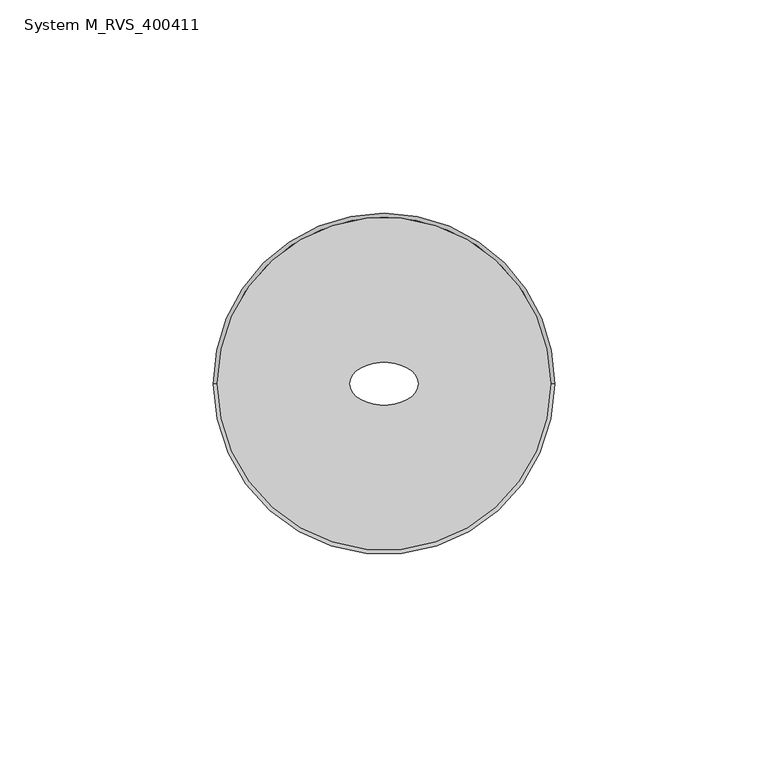
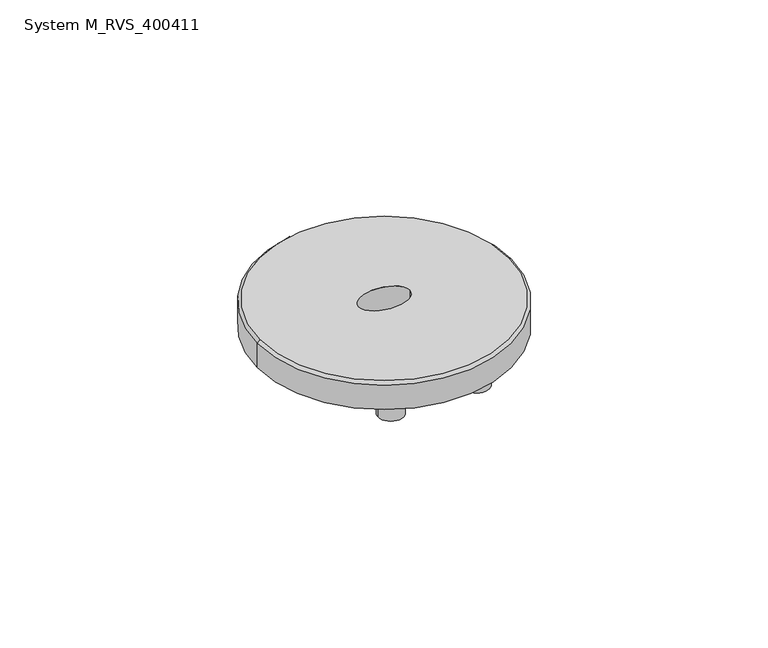
"""IFC4 building model written with IfcOpenShell, lengths in millimetres: proxy geometry, System M_RVS_400411."""

from ifc_helpers import new_model, si_unit, point, frame, frame_2d, origin, origin_with_axes, place, context, project, spatial, polyline, circle_curve, ellipse_curve, trimmed, segment, composite_curve, outline, extrude, source, transform, mapped, element, save
from ifc_brep_helpers import plane_surface, cylinder_surface, revolved_surface, extruded_surface, advanced_brep


def system_m_rvs_400411_374c6fee(model_context):
    return source(origin(), model_context, "Body", "SolidModel", [
        advanced_brep(
        [(-39.044618, 0.0, 9.0), (39.044618, 0.0, 9.0), (-8.0, 0.0, 9.0), (8.0, 0.0, 9.0), (-40.0, 0.0, 0.0), (40.0, 0.0, 0.0), (8.0, 0.0, 0.0), (-8.0, 0.0, 0.0), (40.0, 0.0, 8.044618), (-40.0, 0.0, 8.044618)],
        [
            (0, 1, circle_curve(frame((0.0, 0.0, 9.0), z_axis=(0.0, 0.0, 1.0), x_axis=(1.0, 0.0, 0.0)), 39.044618)),
            (1, 0, circle_curve(frame((0.0, 0.0, 9.0), z_axis=(0.0, 0.0, 1.0), x_axis=(-1.0, 0.0, 0.0)), 39.044618)),
            (2, 3, ellipse_curve(frame((0.0, 0.0, 9.0), z_axis=(0.0, 0.0, -1.0), x_axis=(-1.0, 0.0, 0.0)), 8.0, 5.0)),
            (3, 2, ellipse_curve(frame((0.0, 0.0, 9.0), z_axis=(0.0, 0.0, -1.0), x_axis=(-1.0, 0.0, 0.0)), 8.0, 5.0)),
            (4, 5, circle_curve(frame((0.0, 0.0, 0.0), z_axis=(0.0, 0.0, -1.0), x_axis=(1.0, 0.0, 0.0)), 40.0)),
            (5, 4, circle_curve(frame((0.0, 0.0, 0.0), z_axis=(0.0, 0.0, -1.0), x_axis=(1.0, 0.0, 0.0)), 40.0)),
            (6, 7, ellipse_curve(frame((0.0, 0.0, 0.0), z_axis=(0.0, 0.0, 1.0), x_axis=(-1.0, 0.0, 0.0)), 8.0, 5.0)),
            (7, 6, ellipse_curve(frame((0.0, 0.0, 0.0), z_axis=(0.0, 0.0, 1.0), x_axis=(-1.0, 0.0, 0.0)), 8.0, 5.0)),
            (2, 7),
            (6, 3),
            (5, 8),
            (8, 9, circle_curve(frame((0.0, 0.0, 8.044618), z_axis=(0.0, 0.0, -1.0), x_axis=(1.0, 0.0, 0.0)), 40.0)),
            (9, 4),
            (9, 8, circle_curve(frame((0.0, 0.0, 8.044618), z_axis=(0.0, 0.0, -1.0), x_axis=(1.0, 0.0, 0.0)), 40.0)),
            (0, 9),
            (8, 1),
        ],
        [
            plane_surface(frame((40.0, 0.0, 9.0), z_axis=(0.0, 0.0, 1.0), x_axis=(0.0, 1.0, 0.0))),
            plane_surface(frame((40.0, 0.0, 0.0), z_axis=(0.0, 0.0, -1.0), x_axis=(0.0, -1.0, 0.0))),
            extruded_surface(trimmed(ellipse_curve(frame((0.0, 0.0, 0.0), z_axis=(0.0, 0.0, 1.0), x_axis=(-1.0, 0.0, 0.0)), 8.0, 5.0), [point((8.0, 0.0, 0.0))], [point((-8.0, 0.0, 0.0))], True, "CARTESIAN"), (0.0, 0.0, -9.0), 9.0),
            extruded_surface(trimmed(ellipse_curve(frame((0.0, 0.0, 0.0), z_axis=(0.0, 0.0, 1.0), x_axis=(-1.0, 0.0, 0.0)), 8.0, 5.0), [point((-8.0, 0.0, 0.0))], [point((8.0, 0.0, 0.0))], True, "CARTESIAN"), (0.0, 0.0, -9.0), 9.0),
            cylinder_surface(origin_with_axes(), 40.0),
            revolved_surface(polyline([(39.044618, 0.0, 9.0), (40.0, 0.0, 8.044618)]), (0.0, 0.0, 9.0), (0.0, 0.0, -1.0)),
            revolved_surface(polyline([(-39.044618, 0.0, 9.0), (-40.0, 0.0, 8.044618)]), (0.0, 0.0, 9.0), (0.0, 0.0, -1.0)),
        ],
        [
            (0, [[1, 2], [3, 4]]),
            (1, [[5, 6], [7, 8]]),
            (2, [[9, -7, 10, -3]]),
            (3, [[-9, -4, -10, -8]]),
            (4, [[-6, 11, 12, 13]]),
            (4, [[-5, -13, 14, -11]]),
            (5, [[15, -12, 16, -1]]),
            (6, [[-15, -2, -16, -14]]),
        ],
    ),
        extrude(outline(composite_curve([segment(trimmed(circle_curve(frame_2d((-13.5, -27.0)), 4.0), [point((-17.5, -27.0))], [point((-9.5, -27.0))], False, "CARTESIAN"), True, "CONTINUOUS"), segment(trimmed(circle_curve(frame_2d((-13.5, -27.0)), 4.0), [point((-9.5, -27.0))], [point((-17.5, -27.0))], False, "CARTESIAN"), True, "CONTINUOUS")], self_intersect=False)), frame((0.0, 0.0, -8.0), z_axis=(0.0, 0.0, 1.0), x_axis=(1.0, 0.0, 0.0)), (0.0, 0.0, 1.0), 8.0),
        extrude(outline(composite_curve([segment(trimmed(circle_curve(frame_2d((13.5, -27.0)), 4.0), [point((9.5, -27.0))], [point((17.5, -27.0))], False, "CARTESIAN"), True, "CONTINUOUS"), segment(trimmed(circle_curve(frame_2d((13.5, -27.0)), 4.0), [point((17.5, -27.0))], [point((9.5, -27.0))], False, "CARTESIAN"), True, "CONTINUOUS")], self_intersect=False)), frame((0.0, 0.0, -8.0), z_axis=(0.0, 0.0, 1.0), x_axis=(1.0, 0.0, 0.0)), (0.0, 0.0, 1.0), 8.0),
        extrude(outline(composite_curve([segment(trimmed(circle_curve(frame_2d((-13.5, 27.0)), 4.0), [point((-17.5, 27.0))], [point((-9.5, 27.0))], False, "CARTESIAN"), True, "CONTINUOUS"), segment(trimmed(circle_curve(frame_2d((-13.5, 27.0)), 4.0), [point((-9.5, 27.0))], [point((-17.5, 27.0))], False, "CARTESIAN"), True, "CONTINUOUS")], self_intersect=False)), frame((0.0, 0.0, -8.0), z_axis=(0.0, 0.0, 1.0), x_axis=(1.0, 0.0, 0.0)), (0.0, 0.0, 1.0), 8.0),
        extrude(outline(composite_curve([segment(trimmed(circle_curve(frame_2d((13.5, 27.0)), 4.0), [point((9.5, 27.0))], [point((17.5, 27.0))], False, "CARTESIAN"), True, "CONTINUOUS"), segment(trimmed(circle_curve(frame_2d((13.5, 27.0)), 4.0), [point((17.5, 27.0))], [point((9.5, 27.0))], False, "CARTESIAN"), True, "CONTINUOUS")], self_intersect=False)), frame((0.0, 0.0, -8.0), z_axis=(0.0, 0.0, 1.0), x_axis=(1.0, 0.0, 0.0)), (0.0, 0.0, 1.0), 8.0),
    ])


if __name__ == "__main__":
    model = new_model("IFC4")
    model_context = context("Model", 3, world=origin())
    ifc_project = project(units=[si_unit("LENGTHUNIT", "METRE", prefix="MILLI")], contexts=[model_context])
    site = spatial("IfcSite", under=ifc_project)
    building = spatial("IfcBuilding", under=site)
    placement = place(None, origin())
    system_m_rvs_400411_shape = system_m_rvs_400411_374c6fee(model_context)
    element("IfcBuildingElementProxy", 1, Name="System M_RVS_400411", ObjectType="System M_RVS_400411", at=placement, inside=building, context=model_context, shape_type="MappedRepresentation", body=[
        mapped(system_m_rvs_400411_shape, transform((0.0, 0.0, 0.0), x_axis=(1.0, 0.0, 0.0), y_axis=(0.0, 1.0, 0.0), z_axis=(0.0, 0.0, 1.0))),
    ])
    save(model, "model.ifc")
